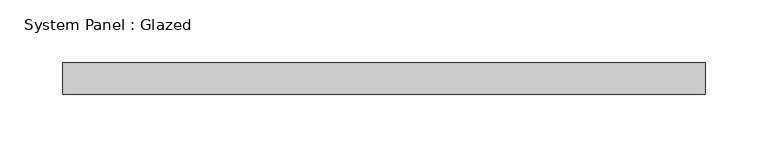
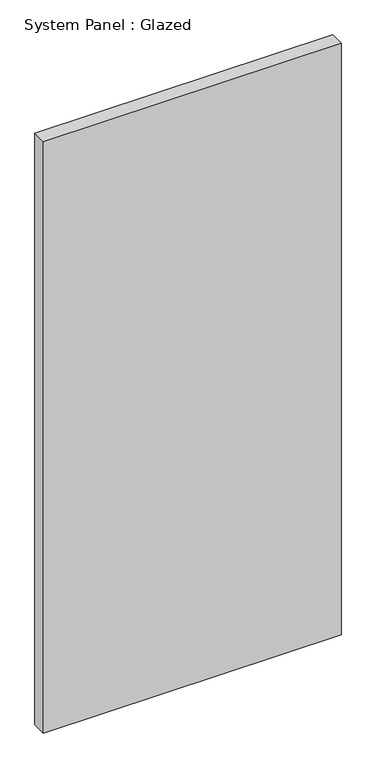
"""IFC4 building model written with IfcOpenShell, lengths in millimetres: plate geometry, System Panel : Glazed."""

from ifc_helpers import new_model, si_unit, origin, origin_with_axes, place, context, project, spatial, polyline, outline, extrude, source, transform, mapped, element, save


def system_panel_glazed_d09c121d(model_context):
    return source(origin(), model_context, "Body", "SweptSolid", [
        extrude(outline(polyline([(257.175, -12.7), (-257.175, -12.7), (-257.175, 12.7), (257.175, 12.7), (257.175, -12.7)])), origin_with_axes(), (0.0, 0.0, 1.0), 1080.0),
    ])


if __name__ == "__main__":
    model = new_model("IFC4")
    model_context = context("Model", 3, world=origin())
    ifc_project = project(units=[si_unit("LENGTHUNIT", "METRE", prefix="MILLI")], contexts=[model_context])
    site = spatial("IfcSite", under=ifc_project)
    building = spatial("IfcBuilding", under=site)
    placement = place(None, origin())
    system_panel_glazed_shape = system_panel_glazed_d09c121d(model_context)
    element("IfcPlate", 1, ObjectType="System Panel : Glazed", at=placement, inside=building, context=model_context, shape_type="MappedRepresentation", body=[
        mapped(system_panel_glazed_shape, transform((0.0, 0.0, 0.0), x_axis=(1.0, 0.0, 0.0), y_axis=(0.0, 1.0, 0.0), z_axis=(0.0, 0.0, 1.0))),
    ])
    save(model, "model.ifc")
